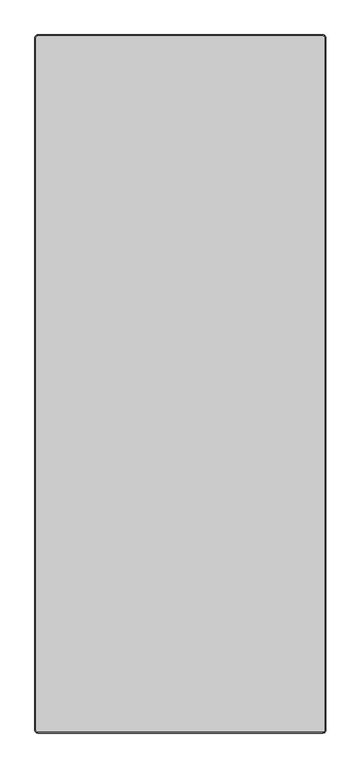
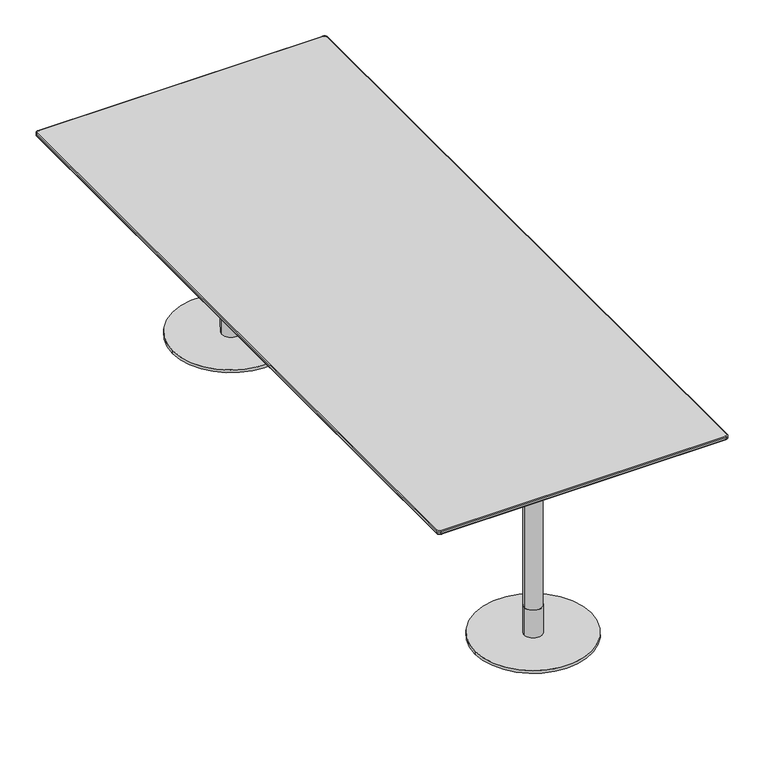
"""IFC4 building model written with IfcOpenShell, lengths in millimetres: furniture geometry."""

from ifc_helpers import new_model, si_unit, point, frame, frame_2d, origin, origin_with_axes, place, context, project, spatial, polyline, circle_curve, ellipse_curve, trimmed, segment, composite_curve, outline, extrude, source, transform, mapped, element, save
from ifc_brep_helpers import plane_surface, cylinder_surface, revolved_surface, spline_surface, advanced_brep


def furniture_217c81b3(model_context):
    return source(origin(), model_context, "Body", "SolidModel", [
        advanced_brep(
        [(-490.0, -1198.6840403, 718.2400004), (-490.0, -1200.0, 720.1193857), (-500.0, -1190.0, 720.1193857), (-498.6840403, -1190.0, 718.2400004), (-490.0, -1200.0, 728.0), (-490.0, -1198.0, 730.0), (-498.0, -1190.0, 730.0), (-500.0, -1190.0, 728.0), (490.0, -1198.6840403, 718.2400004), (490.0, -1200.0, 720.1193857), (490.0, -1200.0, 728.0), (490.0, -1198.0, 730.0), (498.6840403, -1190.0, 718.2400004), (500.0, -1190.0, 720.1193857), (500.0, -1190.0, 728.0), (498.0, -1190.0, 730.0), (498.6840403, 1190.0, 718.2400004), (500.0, 1190.0, 720.1193857), (500.0, 1190.0, 728.0), (498.0, 1190.0, 730.0), (490.0, 1198.6840403, 718.2400004), (490.0, 1200.0, 720.1193857), (490.0, 1200.0, 728.0), (490.0, 1198.0, 730.0), (-490.0, 1198.6840403, 718.2400004), (-490.0, 1200.0, 720.1193857), (-490.0, 1200.0, 728.0), (-490.0, 1198.0, 730.0), (-498.6840403, 1190.0, 718.2400004), (-500.0, 1190.0, 720.1193857), (-500.0, 1190.0, 728.0), (-498.0, 1190.0, 730.0)],
        [
            (0, 1, circle_curve(frame((-490.0, -1198.0, 720.1193857), z_axis=(-1.0, 0.0, 0.0), x_axis=(0.0, 1.0, 0.0)), 2.0)),
            (1, 2, circle_curve(frame((-490.0, -1190.0, 720.1193857), z_axis=(0.0, 0.0, -1.0), x_axis=(-1.0, 0.0, 0.0)), 10.0)),
            (2, 3, circle_curve(frame((-498.0, -1190.0, 720.1193857), z_axis=(0.0, -1.0, 0.0), x_axis=(1.0, 0.0, 0.0)), 2.0)),
            (3, 0, circle_curve(frame((-490.0, -1190.0, 718.2400004), z_axis=(0.0, 0.0, 1.0), x_axis=(-1.0, 0.0, 0.0)), 8.6840403)),
            (4, 5, circle_curve(frame((-490.0, -1198.0, 728.0), z_axis=(-1.0, 0.0, 0.0), x_axis=(0.0, 1.0, 0.0)), 2.0)),
            (5, 6, circle_curve(frame((-490.0, -1190.0, 730.0), z_axis=(0.0, 0.0, -1.0), x_axis=(-1.0, 0.0, 0.0)), 8.0)),
            (6, 7, circle_curve(frame((-498.0, -1190.0, 728.0), z_axis=(0.0, -1.0, 0.0), x_axis=(1.0, 0.0, 0.0)), 2.0)),
            (7, 4, circle_curve(frame((-490.0, -1190.0, 728.0), z_axis=(0.0, 0.0, 1.0), x_axis=(-1.0, 0.0, 0.0)), 10.0)),
            (0, 8),
            (8, 9, circle_curve(frame((490.0, -1198.0, 720.1193857), z_axis=(-1.0, 0.0, 0.0), x_axis=(0.0, 1.0, 0.0)), 2.0)),
            (9, 1),
            (4, 10),
            (10, 11, circle_curve(frame((490.0, -1198.0, 728.0), z_axis=(-1.0, 0.0, 0.0), x_axis=(0.0, 1.0, 0.0)), 2.0)),
            (11, 5),
            (8, 12, circle_curve(frame((490.0, -1190.0, 718.2400004), z_axis=(0.0, 0.0, 1.0), x_axis=(0.0, -1.0, 0.0)), 8.6840403)),
            (12, 13, circle_curve(frame((498.0, -1190.0, 720.1193857), z_axis=(0.0, -1.0, 0.0), x_axis=(-1.0, 0.0, 0.0)), 2.0)),
            (13, 9, circle_curve(frame((490.0, -1190.0, 720.1193857), z_axis=(0.0, 0.0, -1.0), x_axis=(0.0, -1.0, 0.0)), 10.0)),
            (10, 14, circle_curve(frame((490.0, -1190.0, 728.0), z_axis=(0.0, 0.0, 1.0), x_axis=(0.0, -1.0, 0.0)), 10.0)),
            (14, 15, circle_curve(frame((498.0, -1190.0, 728.0), z_axis=(0.0, -1.0, 0.0), x_axis=(-1.0, 0.0, 0.0)), 2.0)),
            (15, 11, circle_curve(frame((490.0, -1190.0, 730.0), z_axis=(0.0, 0.0, -1.0), x_axis=(0.0, -1.0, 0.0)), 8.0)),
            (12, 16),
            (16, 17, circle_curve(frame((498.0, 1190.0, 720.1193857), z_axis=(0.0, -1.0, 0.0), x_axis=(-1.0, 0.0, 0.0)), 2.0)),
            (17, 13),
            (14, 18),
            (18, 19, circle_curve(frame((498.0, 1190.0, 728.0), z_axis=(0.0, -1.0, 0.0), x_axis=(-1.0, 0.0, 0.0)), 2.0)),
            (19, 15),
            (16, 20, circle_curve(frame((490.0, 1190.0, 718.2400004), z_axis=(0.0, 0.0, 1.0), x_axis=(1.0, 0.0, 0.0)), 8.6840403)),
            (20, 21, circle_curve(frame((490.0, 1198.0, 720.1193857), z_axis=(1.0, 0.0, 0.0), x_axis=(0.0, -1.0, 0.0)), 2.0)),
            (21, 17, circle_curve(frame((490.0, 1190.0, 720.1193857), z_axis=(0.0, 0.0, -1.0), x_axis=(1.0, 0.0, 0.0)), 10.0)),
            (18, 22, circle_curve(frame((490.0, 1190.0, 728.0), z_axis=(0.0, 0.0, 1.0), x_axis=(1.0, 0.0, 0.0)), 10.0)),
            (22, 23, circle_curve(frame((490.0, 1198.0, 728.0), z_axis=(1.0, 0.0, 0.0), x_axis=(0.0, -1.0, 0.0)), 2.0)),
            (23, 19, circle_curve(frame((490.0, 1190.0, 730.0), z_axis=(0.0, 0.0, -1.0), x_axis=(1.0, 0.0, 0.0)), 8.0)),
            (20, 24),
            (24, 25, circle_curve(frame((-490.0, 1198.0, 720.1193857), z_axis=(1.0, 0.0, 0.0), x_axis=(0.0, -1.0, 0.0)), 2.0)),
            (25, 21),
            (22, 26),
            (26, 27, circle_curve(frame((-490.0, 1198.0, 728.0), z_axis=(1.0, 0.0, 0.0), x_axis=(0.0, -1.0, 0.0)), 2.0)),
            (27, 23),
            (24, 28, circle_curve(frame((-490.0, 1190.0, 718.2400004), z_axis=(0.0, 0.0, 1.0), x_axis=(0.0, 1.0, 0.0)), 8.6840403)),
            (28, 29, circle_curve(frame((-498.0, 1190.0, 720.1193857), z_axis=(0.0, 1.0, 0.0), x_axis=(1.0, 0.0, 0.0)), 2.0)),
            (29, 25, circle_curve(frame((-490.0, 1190.0, 720.1193857), z_axis=(0.0, 0.0, -1.0), x_axis=(0.0, 1.0, 0.0)), 10.0)),
            (26, 30, circle_curve(frame((-490.0, 1190.0, 728.0), z_axis=(0.0, 0.0, 1.0), x_axis=(0.0, 1.0, 0.0)), 10.0)),
            (30, 31, circle_curve(frame((-498.0, 1190.0, 728.0), z_axis=(0.0, 1.0, 0.0), x_axis=(1.0, 0.0, 0.0)), 2.0)),
            (31, 27, circle_curve(frame((-490.0, 1190.0, 730.0), z_axis=(0.0, 0.0, -1.0), x_axis=(0.0, 1.0, 0.0)), 8.0)),
            (2, 29),
            (28, 3),
            (6, 31),
            (30, 7),
            (22, 21),
            (25, 26),
            (30, 29),
            (2, 7),
            (4, 1),
            (9, 10),
            (14, 13),
            (17, 18),
        ],
        [
            revolved_surface(trimmed(ellipse_curve(frame((-498.0, -1190.0, 720.1193857), z_axis=(0.0, 1.0, 0.0), x_axis=(1.0, 0.0, 0.0)), 2.0, 2.0), [point((-498.6840403, -1190.0, 718.2400004))], [point((-500.0, -1190.0, 720.1193857))], True, "CARTESIAN"), (-490.0, -1190.0, 0.0), (0.0, 0.0, 1.0)),
            revolved_surface(trimmed(ellipse_curve(frame((-498.0, -1190.0, 728.0), z_axis=(0.0, 1.0, 0.0), x_axis=(1.0, 0.0, 0.0)), 2.0, 2.0), [point((-500.0, -1190.0, 728.0))], [point((-498.0, -1190.0, 730.0))], True, "CARTESIAN"), (-490.0, -1190.0, 0.0), (0.0, 0.0, 1.0)),
            cylinder_surface(frame((-490.0, -1198.0, 720.1193857), z_axis=(1.0, 0.0, 0.0), x_axis=(0.0, 1.0, 0.0)), 2.0),
            cylinder_surface(frame((-490.0, -1198.0, 728.0), z_axis=(1.0, 0.0, 0.0), x_axis=(0.0, 1.0, 0.0)), 2.0),
            revolved_surface(trimmed(ellipse_curve(frame((490.0, -1198.0, 720.1193857), z_axis=(-1.0, 0.0, 0.0), x_axis=(0.0, 1.0, 0.0)), 2.0, 2.0), [point((490.0, -1198.6840403, 718.2400004))], [point((490.0, -1200.0, 720.1193857))], True, "CARTESIAN"), (490.0, -1190.0, 0.0), (0.0, 0.0, 1.0)),
            revolved_surface(trimmed(ellipse_curve(frame((490.0, -1198.0, 728.0), z_axis=(-1.0, 0.0, 0.0), x_axis=(0.0, 1.0, 0.0)), 2.0, 2.0), [point((490.0, -1200.0, 728.0))], [point((490.0, -1198.0, 730.0))], True, "CARTESIAN"), (490.0, -1190.0, 0.0), (0.0, 0.0, 1.0)),
            cylinder_surface(frame((498.0, -1190.0, 720.1193857), z_axis=(0.0, 1.0, 0.0), x_axis=(-1.0, 0.0, 0.0)), 2.0),
            cylinder_surface(frame((498.0, -1190.0, 728.0), z_axis=(0.0, 1.0, 0.0), x_axis=(-1.0, 0.0, 0.0)), 2.0),
            revolved_surface(trimmed(ellipse_curve(frame((498.0, 1190.0, 720.1193857), z_axis=(0.0, -1.0, 0.0), x_axis=(-1.0, 0.0, 0.0)), 2.0, 2.0), [point((498.6840403, 1190.0, 718.2400004))], [point((500.0, 1190.0, 720.1193857))], True, "CARTESIAN"), (490.0, 1190.0, 0.0), (0.0, 0.0, 1.0)),
            revolved_surface(trimmed(ellipse_curve(frame((498.0, 1190.0, 728.0), z_axis=(0.0, -1.0, 0.0), x_axis=(-1.0, 0.0, 0.0)), 2.0, 2.0), [point((500.0, 1190.0, 728.0))], [point((498.0, 1190.0, 730.0))], True, "CARTESIAN"), (490.0, 1190.0, 0.0), (0.0, 0.0, 1.0)),
            cylinder_surface(frame((490.0, 1198.0, 720.1193857), z_axis=(-1.0, 0.0, 0.0), x_axis=(0.0, -1.0, 0.0)), 2.0),
            cylinder_surface(frame((490.0, 1198.0, 728.0), z_axis=(-1.0, 0.0, 0.0), x_axis=(0.0, -1.0, 0.0)), 2.0),
            revolved_surface(trimmed(ellipse_curve(frame((-490.0, 1198.0, 720.1193857), z_axis=(1.0, 0.0, 0.0), x_axis=(0.0, -1.0, 0.0)), 2.0, 2.0), [point((-490.0, 1198.6840403, 718.2400004))], [point((-490.0, 1200.0, 720.1193857))], True, "CARTESIAN"), (-490.0, 1190.0, 0.0), (0.0, 0.0, 1.0)),
            revolved_surface(trimmed(ellipse_curve(frame((-490.0, 1198.0, 728.0), z_axis=(1.0, 0.0, 0.0), x_axis=(0.0, -1.0, 0.0)), 2.0, 2.0), [point((-490.0, 1200.0, 728.0))], [point((-490.0, 1198.0, 730.0))], True, "CARTESIAN"), (-490.0, 1190.0, 0.0), (0.0, 0.0, 1.0)),
            cylinder_surface(frame((-498.0, 1190.0, 720.1193857), z_axis=(0.0, -1.0, 0.0), x_axis=(1.0, 0.0, 0.0)), 2.0),
            cylinder_surface(frame((-498.0, 1190.0, 728.0), z_axis=(0.0, -1.0, 0.0), x_axis=(1.0, 0.0, 0.0)), 2.0),
            plane_surface(frame((-390.0, 1200.0, 730.0), z_axis=(0.0, 0.0, 1.0), x_axis=(-1.0, 0.0, 0.0))),
            plane_surface(frame((-390.0, 1200.0, 718.2400004), z_axis=(0.0, 0.0, -1.0), x_axis=(1.0, 0.0, 0.0))),
            plane_surface(frame((490.0, 1200.0, 730.0), z_axis=(0.0, 1.0, 0.0), x_axis=(0.0, 0.0, -1.0))),
            plane_surface(frame((-500.0, 1190.0, 730.0), z_axis=(-1.0, 0.0, 0.0), x_axis=(0.0, 0.0, -1.0))),
            plane_surface(frame((-490.0, -1200.0, 730.0), z_axis=(0.0, -1.0, 0.0), x_axis=(0.0, 0.0, -1.0))),
            plane_surface(frame((500.0, -1190.0, 730.0), z_axis=(1.0, 0.0, 0.0), x_axis=(0.0, 0.0, -1.0))),
            cylinder_surface(frame((-490.0, 1190.0, 718.2400004), z_axis=(0.0, 0.0, 1.0), x_axis=(1.0, 0.0, 0.0)), 10.0),
            cylinder_surface(frame((-490.0, -1190.0, 718.2400004), z_axis=(0.0, 0.0, 1.0), x_axis=(1.0, 0.0, 0.0)), 10.0),
            cylinder_surface(frame((490.0, -1190.0, 718.2400004), z_axis=(0.0, 0.0, 1.0), x_axis=(1.0, 0.0, 0.0)), 10.0),
            cylinder_surface(frame((490.0, 1190.0, 718.2400004), z_axis=(0.0, 0.0, 1.0), x_axis=(1.0, 0.0, 0.0)), 10.0),
        ],
        [
            (0, [[1, 2, 3, 4]]),
            (1, [[5, 6, 7, 8]]),
            (2, [[-1, 9, 10, 11]]),
            (3, [[-5, 12, 13, 14]]),
            (4, [[-10, 15, 16, 17]]),
            (5, [[-13, 18, 19, 20]]),
            (6, [[-16, 21, 22, 23]]),
            (7, [[-19, 24, 25, 26]]),
            (8, [[-22, 27, 28, 29]]),
            (9, [[-25, 30, 31, 32]]),
            (10, [[-28, 33, 34, 35]]),
            (11, [[-31, 36, 37, 38]]),
            (12, [[-34, 39, 40, 41]]),
            (13, [[-37, 42, 43, 44]]),
            (14, [[-3, 45, -40, 46]]),
            (15, [[-7, 47, -43, 48]]),
            (16, [[-6, -14, -20, -26, -32, -38, -44, -47]]),
            (17, [[-4, -46, -39, -33, -27, -21, -15, -9]]),
            (18, [[49, -35, 50, -36]]),
            (19, [[51, -45, 52, -48]]),
            (20, [[53, -11, 54, -12]]),
            (21, [[55, -23, 56, -24]]),
            (22, [[-51, -42, -50, -41]]),
            (23, [[-53, -8, -52, -2]]),
            (24, [[-55, -18, -54, -17]]),
            (25, [[-49, -30, -56, -29]]),
        ],
    ),
        extrude(outline(polyline([(175.0000945, -1074.9403258), (-175.0000945, -1074.9403258), (-175.0000945, -724.9401368), (175.0000945, -724.9401368), (175.0000945, -1074.9403258)])), frame((0.0, 0.0, 702.7932592), z_axis=(0.0, 0.0, 1.0), x_axis=(1.0, 0.0, 0.0)), (0.0, 0.0, 1.0), 5.0000027),
        extrude(outline(composite_curve([segment(trimmed(circle_curve(frame_2d((0.0, -900.0)), 31.0), [point((-31.0, -900.0))], [point((31.0, -900.0))], False, "CARTESIAN"), True, "CONTINUOUS"), segment(trimmed(circle_curve(frame_2d((0.0, -900.0)), 31.0), [point((31.0, -900.0))], [point((-31.0, -900.0))], False, "CARTESIAN"), True, "CONTINUOUS")], self_intersect=False)), frame((0.0, 0.0, 602.7932663), z_axis=(0.0, 0.0, 1.0), x_axis=(1.0, 0.0, 0.0)), (0.0, 0.0, 1.0), 99.999993),
        extrude(outline(composite_curve([segment(trimmed(circle_curve(frame_2d((0.0, -900.0)), 30.0), [point((-30.0, -900.0))], [point((30.0, -900.0))], False, "CARTESIAN"), True, "CONTINUOUS"), segment(trimmed(circle_curve(frame_2d((0.0, -900.0)), 30.0), [point((30.0, -900.0))], [point((-30.0, -900.0))], False, "CARTESIAN"), True, "CONTINUOUS")], self_intersect=False)), frame((0.0, 0.0, 110.0016526), z_axis=(0.0, 0.0, 1.0), x_axis=(1.0, 0.0, 0.0)), (0.0, 0.0, 1.0), 492.7916137),
        extrude(outline(composite_curve([segment(trimmed(circle_curve(frame_2d((0.0, -900.0)), 31.0), [point((-31.0, -900.0))], [point((31.0, -900.0))], False, "CARTESIAN"), True, "CONTINUOUS"), segment(trimmed(circle_curve(frame_2d((0.0, -900.0)), 31.0), [point((31.0, -900.0))], [point((-31.0, -900.0))], False, "CARTESIAN"), True, "CONTINUOUS")], self_intersect=False)), frame((0.0, 0.0, 10.0000044), z_axis=(0.0, 0.0, 1.0), x_axis=(1.0, 0.0, 0.0)), (0.0, 0.0, 1.0), 100.0016481),
        extrude(outline(composite_curve([segment(trimmed(circle_curve(frame_2d((0.0, -900.0)), 200.0), [point((-200.0, -900.0))], [point((200.0, -900.0))], False, "CARTESIAN"), True, "CONTINUOUS"), segment(trimmed(circle_curve(frame_2d((0.0, -900.0)), 200.0), [point((200.0, -900.0))], [point((-200.0, -900.0))], False, "CARTESIAN"), True, "CONTINUOUS")], self_intersect=False)), origin_with_axes(), (0.0, 0.0, 1.0), 10.0000044),
        advanced_brep(
        [(490.0, 1198.6840403, 718.2400004), (-490.0, 1198.6840403, 718.2400004), (-498.6840403, 1190.0, 718.2400004), (-498.6840403, -1190.0, 718.2400004), (-490.0, -1198.6840403, 718.2400004), (490.0, -1198.6840403, 718.2400004), (498.6840403, -1190.0, 718.2400004), (498.6840403, 1190.0, 718.2400004), (462.030341, 1170.0, 707.7932619), (470.0, 1162.030341, 707.7932619), (470.0, -1162.030341, 707.7932619), (462.030341, -1170.0, 707.7932619), (-462.030341, -1170.0, 707.7932619), (-470.0, -1162.030341, 707.7932619), (-470.0, 1162.030341, 707.7932619), (-462.030341, 1170.0, 707.7932619)],
        [
            (0, 1),
            (1, 2, circle_curve(frame((-490.0, 1190.0, 718.2400004), z_axis=(0.0, 0.0, 1.0), x_axis=(1.0, 0.0, 0.0)), 8.6840403)),
            (2, 3),
            (3, 4, circle_curve(frame((-490.0, -1190.0, 718.2400004), z_axis=(0.0, 0.0, 1.0), x_axis=(1.0, 0.0, 0.0)), 8.6840403)),
            (4, 5),
            (5, 6, circle_curve(frame((490.0, -1190.0, 718.2400004), z_axis=(0.0, 0.0, 1.0), x_axis=(1.0, 0.0, 0.0)), 8.6840403)),
            (6, 7),
            (7, 0, circle_curve(frame((490.0, 1190.0, 718.2400004), z_axis=(0.0, 0.0, 1.0), x_axis=(1.0, 0.0, 0.0)), 8.6840403)),
            (8, 9, circle_curve(frame((462.030341, 1162.030341, 707.7932619), z_axis=(0.0, 0.0, -1.0), x_axis=(1.0, 0.0, 0.0)), 7.969659)),
            (9, 10),
            (10, 11, circle_curve(frame((462.030341, -1162.030341, 707.7932619), z_axis=(0.0, 0.0, -1.0), x_axis=(1.0, 0.0, 0.0)), 7.969659)),
            (11, 12),
            (12, 13, circle_curve(frame((-462.030341, -1162.030341, 707.7932619), z_axis=(0.0, 0.0, -1.0), x_axis=(1.0, 0.0, 0.0)), 7.969659)),
            (13, 14),
            (14, 15, circle_curve(frame((-462.030341, 1162.030341, 707.7932619), z_axis=(0.0, 0.0, -1.0), x_axis=(1.0, 0.0, 0.0)), 7.969659)),
            (15, 8),
            (15, 1),
            (0, 8),
            (14, 2),
            (13, 3),
            (12, 4),
            (11, 5),
            (10, 6),
            (9, 7),
        ],
        [
            plane_surface(frame((0.0, 0.0, 718.2400004), z_axis=(0.0, 0.0, 1.0), x_axis=(-1.0, 0.0, 0.0))),
            plane_surface(frame((0.0, 0.0, 707.7932619), z_axis=(0.0, 0.0, -1.0), x_axis=(-1.0, 0.0, 0.0))),
            plane_surface(frame((0.0, 1170.0, 707.7932619), z_axis=(0.0, 0.34221109305817204, -0.9396230987943682), x_axis=(-1.0, 0.0, 0.0))),
            spline_surface(2, 1, [[(-462.030341, 1170.0, 707.7932619), (-490.0, 1198.6840403, 718.2400004)], [(-470.0000000000001, 1170.0, 707.7932619), (-498.6840403000001, 1198.6840403000003, 718.2400004)], [(-470.0, 1162.030341, 707.7932619), (-498.6840403, 1190.0, 718.2400004)]], [3, 3], [2, 2], [0.0, 1.0], [0.0, 1.0], weights=[[1.0, 1.0], [0.7071067811865428, 0.7071067811865428], [1.0, 1.0]]),
            plane_surface(frame((-470.0, 0.0, 707.7932619), z_axis=(-0.34221109305818703, 0.0, -0.9396230987943628), x_axis=(0.0, -1.0, 0.0))),
            spline_surface(2, 1, [[(-470.0, -1162.030341, 707.7932619), (-498.6840403, -1190.0, 718.2400004)], [(-469.9999999999999, -1170.0, 707.7932619), (-498.6840402999999, -1198.6840403, 718.2400004)], [(-462.030341, -1170.0, 707.7932619), (-490.0, -1198.6840403, 718.2400004)]], [3, 3], [2, 2], [0.0, 1.0], [0.0, 1.0], weights=[[1.0, 1.0], [0.7071067811865521, 0.7071067811865521], [1.0, 1.0]]),
            plane_surface(frame((0.0, -1170.0, 707.7932619), z_axis=(0.0, -0.34221109305817343, -0.9396230987943678), x_axis=(1.0, 0.0, 0.0))),
            spline_surface(2, 1, [[(462.030341, -1170.0, 707.7932619), (490.0, -1198.6840403, 718.2400004)], [(470.0000000000001, -1170.0, 707.7932619), (498.6840403000001, -1198.6840403000003, 718.2400004)], [(470.0, -1162.030341, 707.7932619), (498.6840403, -1190.0, 718.2400004)]], [3, 3], [2, 2], [0.0, 1.0], [0.0, 1.0], weights=[[1.0, 1.0], [0.7071067811865428, 0.7071067811865428], [1.0, 1.0]]),
            plane_surface(frame((470.0, 0.0, 707.7932619), z_axis=(0.34221109305815417, 0.0, -0.9396230987943748), x_axis=(0.0, 1.0, 0.0))),
            spline_surface(2, 1, [[(470.0, 1162.030341, 707.7932619), (498.6840403, 1190.0, 718.2400004)], [(469.9999999999999, 1170.0, 707.7932619), (498.6840402999999, 1198.6840403, 718.2400004)], [(462.030341, 1170.0, 707.7932619), (490.0, 1198.6840403, 718.2400004)]], [3, 3], [2, 2], [0.0, 1.0], [0.0, 1.0], weights=[[1.0, 1.0], [0.7071067811865521, 0.7071067811865521], [1.0, 1.0]]),
        ],
        [
            (0, [[1, 2, 3, 4, 5, 6, 7, 8]]),
            (1, [[9, 10, 11, 12, 13, 14, 15, 16]]),
            (2, [[-16, 17, -1, 18]]),
            (3, [[-15, 19, -2, -17]]),
            (4, [[-14, 20, -3, -19]]),
            (5, [[-13, 21, -4, -20]]),
            (6, [[-12, 22, -5, -21]]),
            (7, [[-11, 23, -6, -22]]),
            (8, [[-10, 24, -7, -23]]),
            (9, [[-9, -18, -8, -24]]),
        ],
    ),
        extrude(outline(polyline([(175.0000945, 1074.9403258), (175.0000945, 724.9401368), (-175.0000945, 724.9401368), (-175.0000945, 1074.9403258), (175.0000945, 1074.9403258)])), frame((0.0, 0.0, 702.7932592), z_axis=(0.0, 0.0, 1.0), x_axis=(1.0, 0.0, 0.0)), (0.0, 0.0, 1.0), 5.0000027),
        extrude(outline(composite_curve([segment(trimmed(circle_curve(frame_2d((0.0, 900.0)), 31.0), [point((-31.0, 900.0))], [point((31.0, 900.0))], False, "CARTESIAN"), True, "CONTINUOUS"), segment(trimmed(circle_curve(frame_2d((0.0, 900.0)), 31.0), [point((31.0, 900.0))], [point((-31.0, 900.0))], False, "CARTESIAN"), True, "CONTINUOUS")], self_intersect=False)), frame((0.0, 0.0, 602.7932663), z_axis=(0.0, 0.0, 1.0), x_axis=(1.0, 0.0, 0.0)), (0.0, 0.0, 1.0), 99.999993),
        extrude(outline(composite_curve([segment(trimmed(circle_curve(frame_2d((0.0, 900.0)), 30.0), [point((-30.0, 900.0))], [point((30.0, 900.0))], False, "CARTESIAN"), True, "CONTINUOUS"), segment(trimmed(circle_curve(frame_2d((0.0, 900.0)), 30.0), [point((30.0, 900.0))], [point((-30.0, 900.0))], False, "CARTESIAN"), True, "CONTINUOUS")], self_intersect=False)), frame((0.0, 0.0, 110.0016526), z_axis=(0.0, 0.0, 1.0), x_axis=(1.0, 0.0, 0.0)), (0.0, 0.0, 1.0), 492.7916137),
        extrude(outline(composite_curve([segment(trimmed(circle_curve(frame_2d((0.0, 900.0)), 31.0), [point((-31.0, 900.0))], [point((31.0, 900.0))], False, "CARTESIAN"), True, "CONTINUOUS"), segment(trimmed(circle_curve(frame_2d((0.0, 900.0)), 31.0), [point((31.0, 900.0))], [point((-31.0, 900.0))], False, "CARTESIAN"), True, "CONTINUOUS")], self_intersect=False)), frame((0.0, 0.0, 10.0000044), z_axis=(0.0, 0.0, 1.0), x_axis=(1.0, 0.0, 0.0)), (0.0, 0.0, 1.0), 100.0016481),
        extrude(outline(composite_curve([segment(trimmed(circle_curve(frame_2d((0.0, 900.0)), 200.0), [point((-200.0, 900.0))], [point((200.0, 900.0))], False, "CARTESIAN"), True, "CONTINUOUS"), segment(trimmed(circle_curve(frame_2d((0.0, 900.0)), 200.0), [point((200.0, 900.0))], [point((-200.0, 900.0))], False, "CARTESIAN"), True, "CONTINUOUS")], self_intersect=False)), origin_with_axes(), (0.0, 0.0, 1.0), 10.0000044),
    ])


if __name__ == "__main__":
    model = new_model("IFC4")
    model_context = context("Model", 3, world=origin())
    ifc_project = project(units=[si_unit("LENGTHUNIT", "METRE", prefix="MILLI")], contexts=[model_context])
    site = spatial("IfcSite", under=ifc_project)
    building = spatial("IfcBuilding", under=site)
    placement = place(None, origin())
    furniture_shape = furniture_217c81b3(model_context)
    element("IfcFurniture", 1, at=placement, inside=building, context=model_context, shape_type="MappedRepresentation", body=[
        mapped(furniture_shape, transform((0.0, 0.0, 0.0), x_axis=(1.0, 0.0, 0.0), y_axis=(0.0, 1.0, 0.0), z_axis=(0.0, 0.0, 1.0))),
    ])
    save(model, "model.ifc")
